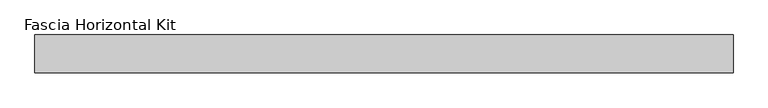
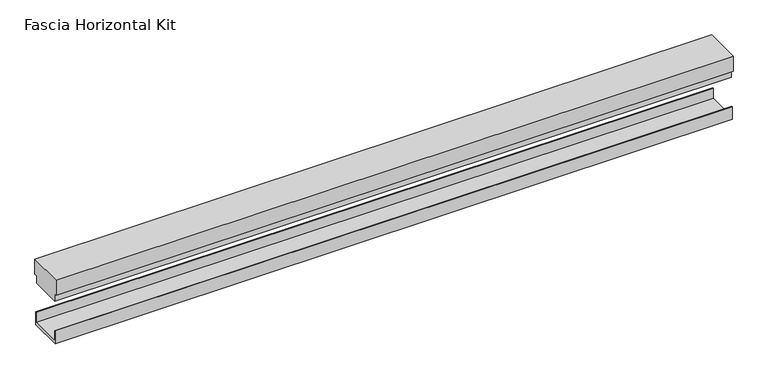
"""IFC4 building model written with IfcOpenShell, lengths in millimetres: proxy geometry, Fascia Horizontal Kit."""

from ifc_helpers import new_model, si_unit, frame, origin, place, context, project, spatial, polyline, outline, extrude, source, transform, mapped, element, save


def fascia_horizontal_kit_6865bc15(model_context):
    return source(origin(), model_context, "Body", "SweptSolid", [
        extrude(outline(polyline([(-94.0992263, 4.58724), (-38.4021063, 4.58724), (-38.4021063, 23.2156), (-37.2438663, 23.2156), (-37.2438663, 0.0), (-95.2574663, 0.0), (-95.2574663, 23.2156), (-94.0992263, 23.2156), (-94.0992263, 4.58724)])), frame((-692.0294109, 0.0, 0.0), z_axis=(1.0, 0.0, 0.0), x_axis=(0.0, 1.0, 0.0)), (0.0, 0.0, 1.0), 1183.3740995),
        extrude(outline(polyline([(-98.4324663, 119.029), (-34.0688663, 119.029), (-34.0688663, 91.029), (-38.9546663, 91.029), (-38.9546663, 77.0336001), (-93.5466663, 77.0336001), (-93.5466663, 91.029), (-98.4324663, 91.029), (-98.4324663, 119.029)])), frame((-692.0294109, 0.0, 0.0), z_axis=(1.0, 0.0, 0.0), x_axis=(0.0, 1.0, 0.0)), (0.0, 0.0, 1.0), 1183.3740995),
    ])


if __name__ == "__main__":
    model = new_model("IFC4")
    model_context = context("Model", 3, world=origin())
    ifc_project = project(units=[si_unit("LENGTHUNIT", "METRE", prefix="MILLI")], contexts=[model_context])
    site = spatial("IfcSite", under=ifc_project)
    building = spatial("IfcBuilding", under=site)
    placement = place(None, origin())
    fascia_horizontal_kit_shape = fascia_horizontal_kit_6865bc15(model_context)
    element("IfcBuildingElementProxy", 1, Name="Fascia Horizontal Kit", ObjectType="Fascia Horizontal Kit", at=placement, inside=building, context=model_context, shape_type="MappedRepresentation", body=[
        mapped(fascia_horizontal_kit_shape, transform((0.0, 0.0, 0.0), x_axis=(1.0, 0.0, 0.0), y_axis=(0.0, 1.0, 0.0), z_axis=(0.0, 0.0, 1.0))),
    ])
    save(model, "model.ifc")
